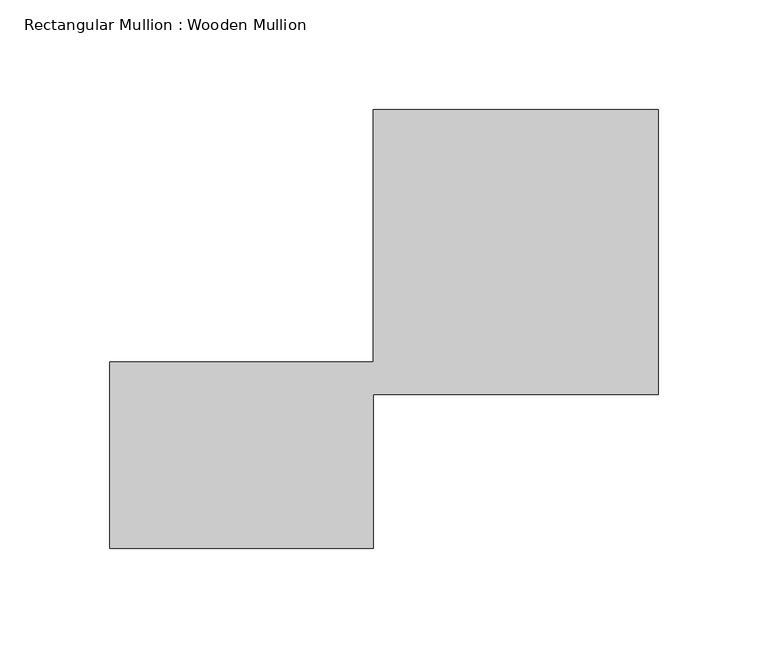
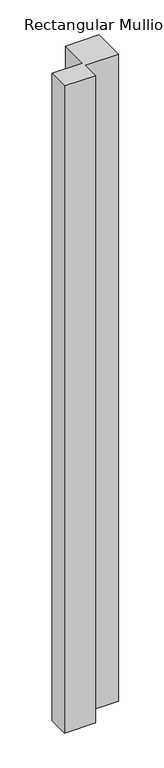
"""IFC4 building model written with IfcOpenShell, lengths in millimetres: member geometry, Rectangular Mullion : Wooden Mullion."""

from ifc_helpers import new_model, si_unit, frame, origin, place, context, project, spatial, polyline, outline, extrude, source, transform, mapped, element, save


def rectangular_mullion_wooden_mullion_66adc498(model_context):
    return source(origin(), model_context, "Body", "SweptSolid", [
        extrude(outline(polyline([(74.8100006, -26.0137344), (-45.1899994, -26.0137344), (-45.1899994, 58.9862656), (74.8100006, 58.9862656), (74.8100006, 173.9862656), (204.8100006, 173.9862656), (204.8100006, 43.9862656), (74.8100006, 43.9862656), (74.8100006, -26.0137344)])), frame((0.0, 0.0, -2653.9510211), z_axis=(0.0, 0.0, 1.0), x_axis=(1.0, 0.0, 0.0)), (0.0, 0.0, 1.0), 2653.9510211),
    ])


if __name__ == "__main__":
    model = new_model("IFC4")
    model_context = context("Model", 3, world=origin())
    ifc_project = project(units=[si_unit("LENGTHUNIT", "METRE", prefix="MILLI")], contexts=[model_context])
    site = spatial("IfcSite", under=ifc_project)
    building = spatial("IfcBuilding", under=site)
    placement = place(None, origin())
    rectangular_mullion_wooden_mullion_shape = rectangular_mullion_wooden_mullion_66adc498(model_context)
    element("IfcMember", 1, ObjectType="Rectangular Mullion : Wooden Mullion", at=placement, inside=building, context=model_context, shape_type="MappedRepresentation", body=[
        mapped(rectangular_mullion_wooden_mullion_shape, transform((0.0, 0.0, 0.0), x_axis=(1.0, 0.0, 0.0), y_axis=(0.0, 1.0, 0.0), z_axis=(0.0, 0.0, 1.0))),
    ])
    save(model, "model.ifc")
